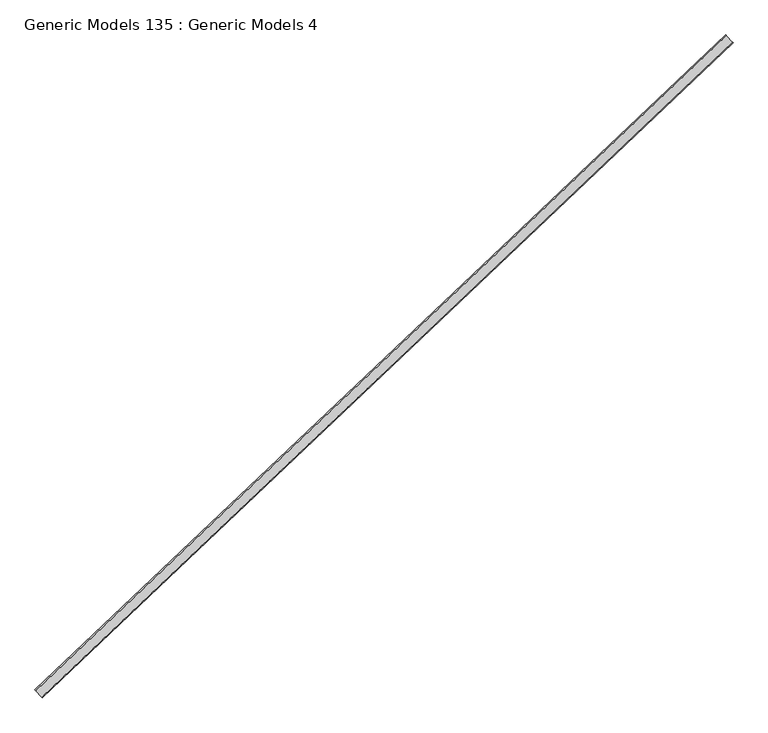
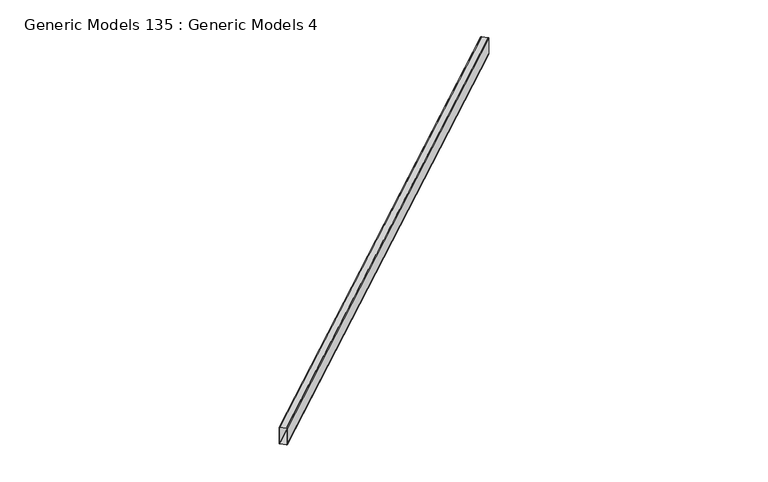
"""IFC4 building model written with IfcOpenShell, lengths in millimetres: proxy geometry, Generic Models 135 : Generic Models 4."""

import ifcopenshell
import ifcopenshell.guid

model = None  # the IFC model being written
_history = None  # IfcOwnerHistory: only IFC2X3 demands one
_inside = {}  # id of a spatial element -> (the spatial element, [elements in it])
_under = {}  # id of a project, library or spatial element -> (it, [spatial elements below it])
_declared = {}  # id of a project -> (the project, [libraries it declares])
_typed = {}  # id of a type object -> (the type object, [elements of that type])
_made_of = {}  # id of a material, layer set ... -> (it, [elements and type objects made of it])


def new_model(schema):
    """Start an empty IFC model of exactly this schema.

    Asked for "IFC4X3", IfcOpenShell would pick the latest addendum, in which some entities
    have other attributes; the version numbers below select the first issue.
    IFC2X3 requires an IfcOwnerHistory on every rooted entity: one is made here for all.
    """
    global model, _history
    if schema == "IFC4X3":
        model = ifcopenshell.file(schema_version=(4, 3, 0, 0))
    else:
        model = ifcopenshell.file(schema=schema)
    _inside.clear()
    _under.clear()
    _declared.clear()
    _typed.clear()
    _made_of.clear()
    _history = None
    if model.schema == "IFC2X3":
        org = make("IfcOrganization", Name="unknown")
        user = make(
            "IfcPersonAndOrganization",
            ThePerson=make("IfcPerson", FamilyName="unknown"),
            TheOrganization=org,
        )
        app = make(
            "IfcApplication",
            ApplicationDeveloper=org,
            Version="unknown",
            ApplicationFullName="unknown",
            ApplicationIdentifier="unknown",
        )
        _history = make(
            "IfcOwnerHistory",
            OwningUser=user,
            OwningApplication=app,
            ChangeAction="ADDED",
            CreationDate=0,
        )
    return model


def make(cls, **values):
    """One entity of the class cls with the attributes given. An attribute that is None is left unset."""
    return model.create_entity(
        cls, **{name: value for name, value in values.items() if value is not None}
    )


def rooted(cls, **values):
    """An entity with a GlobalId (a new one), such as an element, a storey or a relation."""
    return make(cls, GlobalId=ifcopenshell.guid.new(), OwnerHistory=_history, **values)


def si_unit(unit_type, name, prefix=None):
    """IfcSIUnit, for example si_unit("LENGTHUNIT", "METRE", prefix="MILLI")."""
    return make("IfcSIUnit", UnitType=unit_type, Prefix=prefix, Name=name)


def assignment(units):
    """IfcUnitAssignment: the units of a project."""
    return None if units is None else make("IfcUnitAssignment", Units=units)


def point(xyz):
    """IfcCartesianPoint."""
    return None if xyz is None else make("IfcCartesianPoint", Coordinates=xyz)


def direction(xyz):
    """IfcDirection."""
    return None if xyz is None else make("IfcDirection", DirectionRatios=xyz)


def frame(location, z_axis=None, x_axis=None):
    """IfcAxis2Placement3D, a coordinate frame: its origin and axes. An axis left out is left unset."""
    return make(
        "IfcAxis2Placement3D",
        Location=point(location),
        Axis=direction(z_axis),
        RefDirection=direction(x_axis),
    )


def frame_2d(location, x_axis=None):
    """IfcAxis2Placement2D, a coordinate frame in the plane: its origin and x axis."""
    return make(
        "IfcAxis2Placement2D", Location=point(location), RefDirection=direction(x_axis)
    )


def origin():
    """The frame at (0, 0, 0) with its axes left unset."""
    return frame((0.0, 0.0, 0.0))


def place(relative_to, where):
    """IfcLocalPlacement: puts the frame where relative to a parent placement (None: the world)."""
    return make(
        "IfcLocalPlacement", PlacementRelTo=relative_to, RelativePlacement=where
    )


def context(
    kind, dimensions, precision=None, world=None, true_north=None, identifier=None
):
    """IfcGeometricRepresentationContext, for example the 3D "Model" context."""
    return make(
        "IfcGeometricRepresentationContext",
        ContextIdentifier=identifier,
        ContextType=kind,
        CoordinateSpaceDimension=dimensions,
        Precision=precision,
        WorldCoordinateSystem=world,
        TrueNorth=true_north,
    )


def project(units=None, contexts=None):
    """IfcProject with its units and contexts."""
    return rooted(
        "IfcProject",
        Name="project",
        RepresentationContexts=contexts,
        UnitsInContext=assignment(units),
    )


def spatial(cls, under=None, at=None, **own):
    """A site, building, storey or space (cls), placed at a placement, below another one or the project."""
    s = rooted(cls, ObjectPlacement=at, **own)
    if under is not None:
        _under.setdefault(under.id(), (under, []))[1].append(s)
    return s


def polyline(points):
    """IfcPolyline through the points."""
    return make("IfcPolyline", Points=[point(p) for p in points])


def circle_curve(where, radius):
    """IfcCircle in the frame where."""
    return make("IfcCircle", Position=where, Radius=radius)


def trimmed(basis, trim1, trim2, sense, master):
    """IfcTrimmedCurve: the piece of a basis curve between two trims."""
    return make(
        "IfcTrimmedCurve",
        BasisCurve=basis,
        Trim1=trim1,
        Trim2=trim2,
        SenseAgreement=sense,
        MasterRepresentation=master,
    )


def segment(curve, same_sense, transition):
    """IfcCompositeCurveSegment."""
    return make(
        "IfcCompositeCurveSegment",
        Transition=transition,
        SameSense=same_sense,
        ParentCurve=curve,
    )


def composite_curve(segments, self_intersect=None):
    """IfcCompositeCurve: segments joined end to end."""
    return make("IfcCompositeCurve", Segments=segments, SelfIntersect=self_intersect)


def outline(outer, holes=None, kind="AREA"):
    """IfcArbitraryClosedProfileDef: a profile drawn as a closed curve; with holes, ...WithVoids."""
    if holes is None:
        return make("IfcArbitraryClosedProfileDef", ProfileType=kind, OuterCurve=outer)
    return make(
        "IfcArbitraryProfileDefWithVoids",
        ProfileType=kind,
        OuterCurve=outer,
        InnerCurves=holes,
    )


def extrude(swept, where, along, depth):
    """IfcExtrudedAreaSolid: the profile swept, set in the frame where, extruded along a direction by depth."""
    return make(
        "IfcExtrudedAreaSolid",
        SweptArea=swept,
        Position=where,
        ExtrudedDirection=direction(along),
        Depth=depth,
    )


def shape(context_of_items, identifier, shape_type, items):
    """IfcShapeRepresentation: the items that make up one representation, for example the "Body"."""
    return make(
        "IfcShapeRepresentation",
        ContextOfItems=context_of_items,
        RepresentationIdentifier=identifier,
        RepresentationType=shape_type,
        Items=items,
    )


def source(mapping_origin, context_of_items, identifier, shape_type, items):
    """IfcRepresentationMap: a shape defined once, which mapped items show again and again."""
    return make(
        "IfcRepresentationMap",
        MappingOrigin=mapping_origin,
        MappedRepresentation=shape(context_of_items, identifier, shape_type, items),
    )


def transform(
    local_origin,
    x_axis=None,
    y_axis=None,
    z_axis=None,
    scale=None,
    scale2=None,
    scale3=None,
    uniform=True,
):
    """IfcCartesianTransformationOperator3D, or its non-uniform kind. x_axis, y_axis, z_axis: its Axis1, 2, 3."""
    if uniform:
        return make(
            "IfcCartesianTransformationOperator3D",
            Axis1=direction(x_axis),
            Axis2=direction(y_axis),
            LocalOrigin=point(local_origin),
            Scale=scale,
            Axis3=direction(z_axis),
        )
    return make(
        "IfcCartesianTransformationOperator3DnonUniform",
        Axis1=direction(x_axis),
        Axis2=direction(y_axis),
        LocalOrigin=point(local_origin),
        Scale=scale,
        Axis3=direction(z_axis),
        Scale2=scale2,
        Scale3=scale3,
    )


def mapped(mapping_source, mapping_target):
    """IfcMappedItem: shows the shape of a source again, moved by a transform."""
    return make(
        "IfcMappedItem", MappingSource=mapping_source, MappingTarget=mapping_target
    )


def made_of(thing, what):
    """Note that an element or type object is made of a material, layer set ...; save() writes the relation."""
    if what is not None:
        _made_of.setdefault(what.id(), (what, []))[1].append(thing)
    return thing


def element(
    cls,
    number,
    at=None,
    inside=None,
    cuts=None,
    type_object=None,
    material=None,
    context=None,
    identifier="Body",
    shape_type=None,
    held_by="IfcProductDefinitionShape",
    body=None,
    shapes=None,
    **own,
):
    """One element of the class cls, such as IfcWall. Its Tag is "e" and its number.

    at: its placement. inside: the storey or other place that contains it. cuts: it is an
    opening in that element (IfcRelVoidsElement). A single representation is given by context,
    identifier, shape_type and body (its items); several are given by shapes. held_by: the class
    of the entity that holds the representations. save() writes the other relations.
    """
    e = rooted(cls, Tag="e%d" % number, ObjectPlacement=at, **own)
    if body is not None:
        shapes = [shape(context, identifier, shape_type, body)]
    if shapes is not None:
        e.Representation = make(held_by, Representations=shapes)
    if inside is not None:
        _inside.setdefault(inside.id(), (inside, []))[1].append(e)
    if cuts is not None:
        rooted(
            "IfcRelVoidsElement", RelatingBuildingElement=cuts, RelatedOpeningElement=e
        )
    if type_object is not None:
        _typed.setdefault(type_object.id(), (type_object, []))[1].append(e)
    return made_of(e, material)


def aggregate(whole, parts):
    """IfcRelAggregates: a whole, such as a stair, and the parts it consists of."""
    return rooted("IfcRelAggregates", RelatingObject=whole, RelatedObjects=parts)


def save(model, path):
    """Write the relations noted so far, then the file.

    IfcRelAggregates (storeys below a building ...), IfcRelContainedInSpatialStructure (elements
    in a storey), IfcRelDefinesByType, IfcRelAssociatesMaterial and IfcRelDeclares: one each for
    every whole, place, type object, material and project.
    """
    for whole, parts in _under.values():
        aggregate(whole, parts)
    for where, things in _inside.values():
        rooted(
            "IfcRelContainedInSpatialStructure",
            RelatedElements=things,
            RelatingStructure=where,
        )
    for kind, things in _typed.values():
        rooted("IfcRelDefinesByType", RelatedObjects=things, RelatingType=kind)
    for what, things in _made_of.values():
        rooted("IfcRelAssociatesMaterial", RelatedObjects=things, RelatingMaterial=what)
    for by, libraries in _declared.values():
        rooted("IfcRelDeclares", RelatingContext=by, RelatedDefinitions=libraries)
    model.write(path)


def generic_models_135_generic_models_4_1759cbf2(model_context):
    return source(origin(), model_context, "Body", "SweptSolid", [
        extrude(outline(composite_curve([segment(trimmed(circle_curve(frame_2d((-17.7292, 83.8708)), 17.7292), [point((-17.7292, 101.6))], [point((0.0, 83.8708))], False, "CARTESIAN"), True, "CONTINUOUS"), segment(polyline([(0.0, 83.8708), (0.0, -83.8708)]), True, "CONTINUOUS"), segment(trimmed(circle_curve(frame_2d((-17.7292, -83.8708)), 17.7292), [point((0.0, -83.8708))], [point((-17.7292, -101.6))], False, "CARTESIAN"), True, "CONTINUOUS"), segment(polyline([(-17.7292, -101.6), (-490.2708, -101.6)]), True, "CONTINUOUS"), segment(trimmed(circle_curve(frame_2d((-490.2708, -83.8708)), 17.7292), [point((-490.2708, -101.6))], [point((-508.0, -83.8708))], False, "CARTESIAN"), True, "CONTINUOUS"), segment(polyline([(-508.0, -83.8708), (-508.0, 83.8708)]), True, "CONTINUOUS"), segment(trimmed(circle_curve(frame_2d((-490.2708, 83.8708)), 17.7292), [point((-508.0, 83.8708))], [point((-490.2708, 101.6))], False, "CARTESIAN"), True, "CONTINUOUS"), segment(polyline([(-490.2708, 101.6), (-17.7292, 101.6)]), True, "CONTINUOUS")], self_intersect=False), holes=[composite_curve([segment(polyline([(-8.8646, -83.8708), (-8.8646, 83.8708)]), True, "CONTINUOUS"), segment(trimmed(circle_curve(frame_2d((-17.7292, 83.8708)), 8.8646), [point((-8.8646, 83.8708))], [point((-17.7292, 92.7354))], True, "CARTESIAN"), True, "CONTINUOUS"), segment(polyline([(-17.7292, 92.7354), (-490.2708, 92.7354)]), True, "CONTINUOUS"), segment(trimmed(circle_curve(frame_2d((-490.2708, 83.8708)), 8.8646), [point((-490.2708, 92.7354))], [point((-499.1354, 83.8708))], True, "CARTESIAN"), True, "CONTINUOUS"), segment(polyline([(-499.1354, 83.8708), (-499.1354, -83.8708)]), True, "CONTINUOUS"), segment(trimmed(circle_curve(frame_2d((-490.2708, -83.8708)), 8.8646), [point((-499.1354, -83.8708))], [point((-490.2708, -92.7354))], True, "CARTESIAN"), True, "CONTINUOUS"), segment(polyline([(-490.2708, -92.7354), (-17.7292, -92.7354)]), True, "CONTINUOUS"), segment(trimmed(circle_curve(frame_2d((-17.7292, -83.8708)), 8.8646), [point((-17.7292, -92.7354))], [point((-8.8646, -83.8708))], True, "CARTESIAN"), True, "CONTINUOUS")], self_intersect=False)]), frame((96212.2877751, 48361.2993414, 17118.33), z_axis=(0.725374371012385, 0.6883545756936514, 0.0), x_axis=(0.0, 0.0, 1.0)), (0.0, 0.0, 1.0), 17679.9875),
    ])


if __name__ == "__main__":
    model = new_model("IFC4")
    model_context = context("Model", 3, world=origin())
    ifc_project = project(units=[si_unit("LENGTHUNIT", "METRE", prefix="MILLI")], contexts=[model_context])
    site = spatial("IfcSite", under=ifc_project)
    building = spatial("IfcBuilding", under=site)
    placement = place(None, origin())
    generic_models_135_generic_models_4_shape = generic_models_135_generic_models_4_1759cbf2(model_context)
    element("IfcBuildingElementProxy", 1, Name="Generic Models 135 : Generic Models 4", ObjectType="Generic Models 135 : Generic Models 4", at=placement, inside=building, context=model_context, shape_type="MappedRepresentation", body=[
        mapped(generic_models_135_generic_models_4_shape, transform((0.0, 0.0, 0.0), x_axis=(1.0, 0.0, 0.0), y_axis=(0.0, 1.0, 0.0), z_axis=(0.0, 0.0, 1.0))),
    ])
    save(model, "model.ifc")
